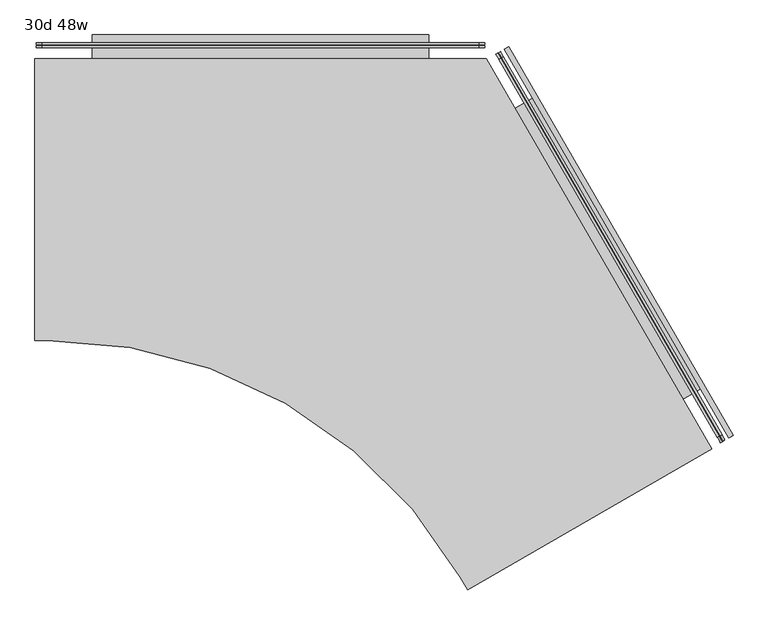
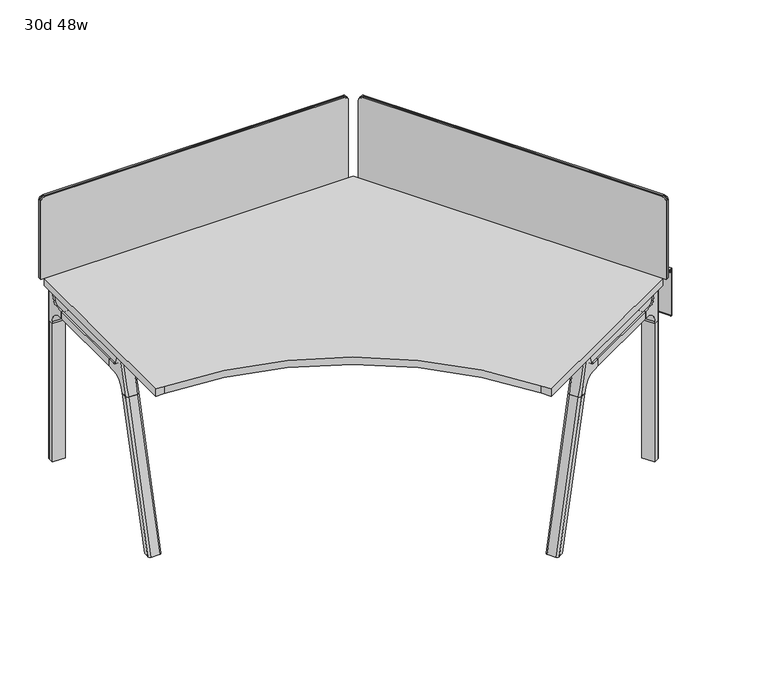
"""IFC4 building model written with IfcOpenShell, lengths in millimetres: furniture geometry, 30d 48w."""

from ifc_helpers import new_model, si_unit, point, frame, frame_2d, origin, place, context, project, spatial, polyline, circle_curve, ellipse_curve, trimmed, segment, composite_curve, outline, extrude, source, transform, mapped, element, save
from ifc_brep_helpers import plane_surface, cylinder_surface, revolved_surface, advanced_brep


def furniture_30d_48w_1ab25b7c(model_context):
    return source(origin(), model_context, "Body", "SolidModel", [
        extrude(outline(composite_curve([segment(polyline([(4524.070945, -1483.2285725), (3864.1595873, -1864.2285725), (3844.808009, -1830.7106557)]), True, "CONTINUOUS"), segment(trimmed(circle_curve(frame_2d((2733.9572236, -2472.0606557)), 1282.7), [point((3844.808009, -1830.7106557))], [point((2728.9573776, -1189.3704002))], True, "CARTESIAN"), True, "CONTINUOUS"), segment(polyline([(2728.9573776, -1189.3704002), (2695.270945, -1189.3704002), (2695.270945, -427.3704002), (3914.470945, -427.3704002), (4524.070945, -1483.2285725)]), True, "CONTINUOUS")], self_intersect=False)), frame((0.0, 0.0, 711.2), z_axis=(0.0, 0.0, 1.0), x_axis=(1.0, 0.0, 0.0)), (0.0, 0.0, 1.0), 30.1625),
        advanced_brep(
        [(3900.1963967, -460.0945908, 35.0000007), (3893.2682387, -456.0946169, 35.0000007), (3896.7323177, -458.0946039, 35.0000007), (3900.1963967, -460.0945908, 5.0000003), (3893.2682387, -456.0946169, 5.0000003), (3905.5711745, -463.1977202, 5.0000003), (3887.893461, -452.9914875, 5.0000003), (3906.2585821, -463.5945952, 4.2062503), (3887.2060533, -452.5946125, 4.2062503), (3906.2585821, -463.5945952, 0.79375), (3887.2060533, -452.5946125, 0.79375), (3905.5711745, -463.1977202, 0.0), (3887.893461, -452.9914875, 0.0), (3896.7323177, -458.0946039, 0.0)],
        [
            (0, 1, circle_curve(frame((3896.7323177, -458.0946039, 35.0000007), z_axis=(0.0, 0.0, 1.0), x_axis=(-0.8660254037844346, 0.5000000000000068, 0.0)), 3.9999739)),
            (1, 2),
            (2, 0),
            (1, 0, circle_curve(frame((3896.7323177, -458.0946039, 35.0000007), z_axis=(0.0, 0.0, 1.0), x_axis=(-0.8660254037844346, 0.5000000000000068, 0.0)), 3.9999739)),
            (3, 4, circle_curve(frame((3896.7323177, -458.0946039, 5.0000003), z_axis=(0.0, 0.0, 1.0), x_axis=(-0.8660254037844346, 0.5000000000000068, 0.0)), 3.9999739)),
            (4, 1),
            (0, 3),
            (4, 3, circle_curve(frame((3896.7323177, -458.0946039, 5.0000003), z_axis=(0.0, 0.0, 1.0), x_axis=(-0.8660254037844346, 0.5000000000000068, 0.0)), 3.9999739)),
            (5, 6, circle_curve(frame((3896.7323177, -458.0946039, 5.0000003), z_axis=(0.0, 0.0, 1.0), x_axis=(-0.8660254037844346, 0.5000000000000068, 0.0)), 10.2062326)),
            (6, 4),
            (3, 5),
            (6, 5, circle_curve(frame((3896.7323177, -458.0946039, 5.0000003), z_axis=(0.0, 0.0, 1.0), x_axis=(-0.8660254037844346, 0.5000000000000068, 0.0)), 10.2062326)),
            (7, 8, circle_curve(frame((3896.7323177, -458.0946039, 4.2062503), z_axis=(0.0, 0.0, 1.0), x_axis=(-0.8660254037844346, 0.5000000000000068, 0.0)), 10.9999826)),
            (8, 6, circle_curve(frame((3887.893461, -452.9914875, 4.2062503), z_axis=(0.5000000000000068, 0.8660254037844346, 0.0), x_axis=(0.0, 0.0, -1.0)), 0.79375)),
            (5, 7, circle_curve(frame((3905.5711745, -463.1977202, 4.2062503), z_axis=(0.500000000000004, 0.8660254037844363, 0.0), x_axis=(0.0, 0.0, -1.0)), 0.79375)),
            (8, 7, circle_curve(frame((3896.7323177, -458.0946039, 4.2062503), z_axis=(0.0, 0.0, 1.0), x_axis=(-0.8660254037844346, 0.5000000000000068, 0.0)), 10.9999826)),
            (9, 10, circle_curve(frame((3896.7323177, -458.0946039, 0.79375), z_axis=(0.0, 0.0, 1.0), x_axis=(-0.8660254037844346, 0.5000000000000068, 0.0)), 10.9999826)),
            (10, 8),
            (7, 9),
            (10, 9, circle_curve(frame((3896.7323177, -458.0946039, 0.79375), z_axis=(0.0, 0.0, 1.0), x_axis=(-0.8660254037844346, 0.5000000000000068, 0.0)), 10.9999826)),
            (11, 12, circle_curve(frame((3896.7323177, -458.0946039, 0.0), z_axis=(0.0, 0.0, 1.0), x_axis=(-0.8660254037844346, 0.5000000000000068, 0.0)), 10.2062326)),
            (12, 10, circle_curve(frame((3887.893461, -452.9914875, 0.79375), z_axis=(0.5000000000000068, 0.8660254037844346, 0.0), x_axis=(0.0, 0.0, -1.0)), 0.79375)),
            (9, 11, circle_curve(frame((3905.5711745, -463.1977202, 0.79375), z_axis=(0.500000000000004, 0.8660254037844363, 0.0), x_axis=(0.0, 0.0, -1.0)), 0.79375)),
            (12, 11, circle_curve(frame((3896.7323177, -458.0946039, 0.0), z_axis=(0.0, 0.0, 1.0), x_axis=(-0.8660254037844346, 0.5000000000000068, 0.0)), 10.2062326)),
            (13, 12),
            (11, 13),
        ],
        [
            plane_surface(frame((3896.7323177, -458.0946039, 35.0000007), z_axis=(0.0, 0.0, 1.0), x_axis=(-0.8660254037844347, 0.5000000000000069, 0.0))),
            cylinder_surface(frame((3896.7323177, -458.0946039, 52.3860264), z_axis=(0.0, 0.0, -1.0), x_axis=(-0.8660254037844346, 0.5000000000000068, 0.0)), 3.9999739),
            plane_surface(frame((3896.7323177, -458.0946039, 5.0000003), z_axis=(0.0, 0.0, 1.0), x_axis=(-0.8660254037844347, 0.5000000000000069, 0.0))),
            revolved_surface(trimmed(ellipse_curve(frame((3887.893461, -452.9914875, 4.2062503), z_axis=(-0.5000000000000068, -0.8660254037844346, 0.0), x_axis=(0.0, 0.0, -1.0)), 0.79375, 0.79375), [point((3887.893461, -452.9914875, 5.0000003))], [point((3887.2060533, -452.5946125, 4.2062503))], True, "CARTESIAN"), (3896.7323177, -458.0946039, 52.3860264), (0.0, 0.0, -1.0)),
            cylinder_surface(frame((3896.7323177, -458.0946039, 52.3860264), z_axis=(0.0, 0.0, -1.0), x_axis=(-0.8660254037844346, 0.5000000000000068, 0.0)), 10.9999826),
            revolved_surface(trimmed(ellipse_curve(frame((3887.893461, -452.9914875, 0.79375), z_axis=(-0.5000000000000068, -0.8660254037844346, 0.0), x_axis=(0.0, 0.0, -1.0)), 0.79375, 0.79375), [point((3887.2060533, -452.5946125, 0.79375))], [point((3887.893461, -452.9914875, 0.0))], True, "CARTESIAN"), (3896.7323177, -458.0946039, 52.3860264), (0.0, 0.0, -1.0)),
            plane_surface(frame((3896.7323177, -458.0946039, 0.0), z_axis=(0.0, 0.0, -1.0), x_axis=(-0.8660254037844347, 0.5000000000000069, 0.0))),
        ],
        [
            (0, [[1, 2, 3]]),
            (0, [[4, -3, -2]]),
            (1, [[5, 6, -1, 7]]),
            (1, [[8, -7, -4, -6]]),
            (2, [[9, 10, -5, 11]]),
            (2, [[12, -11, -8, -10]]),
            (3, [[13, 14, -9, 15]]),
            (3, [[16, -15, -12, -14]]),
            (4, [[17, 18, -13, 19]]),
            (4, [[20, -19, -16, -18]]),
            (5, [[21, 22, -17, 23]]),
            (5, [[24, -23, -20, -22]]),
            (6, [[25, -21, 26]]),
            (6, [[-26, -24, -25]]),
        ],
    ),
        extrude(outline(composite_curve([segment(trimmed(circle_curve(frame_2d((3910.3539816, -481.5552641)), 1.4920026), [point((3911.6460938, -482.3012654))], [point((3909.6079803, -482.8473763))], False, "CARTESIAN"), True, "CONTINUOUS"), segment(polyline([(3909.6079803, -482.8473763), (3868.8579567, -459.3203392)]), True, "CONTINUOUS"), segment(trimmed(circle_curve(frame_2d((3869.603958, -458.028227)), 1.4920026), [point((3868.8579567, -459.3203392))], [point((3868.3118459, -457.2822257))], False, "CARTESIAN"), True, "CONTINUOUS"), segment(polyline([(3868.3118459, -457.2822257), (3877.7172574, -440.9915751)]), True, "CONTINUOUS"), segment(trimmed(circle_curve(frame_2d((3886.3098532, -445.9525126)), 9.921875), [point((3877.7172574, -440.9915751))], [point((3891.2707907, -437.3599168))], False, "CARTESIAN"), True, "CONTINUOUS"), segment(polyline([(3891.2707907, -437.3599168), (3917.419847, -452.4570815)]), True, "CONTINUOUS"), segment(trimmed(circle_curve(frame_2d((3912.4589095, -461.0496773)), 9.921875), [point((3917.419847, -452.4570815))], [point((3921.0515053, -466.0106148))], False, "CARTESIAN"), True, "CONTINUOUS"), segment(polyline([(3921.0515053, -466.0106148), (3911.6460938, -482.3012654)]), True, "CONTINUOUS")], self_intersect=False)), frame((0.0, 0.0, 10.7173168), z_axis=(0.0, 0.0, 1.0), x_axis=(1.0, 0.0, 0.0)), (0.0, 0.0, 1.0), 700.4826832),
        extrude(outline(composite_curve([segment(trimmed(circle_curve(frame_2d((0.0, -15.875)), 15.875), [point((0.0, -31.75))], [point((-15.875, -15.875))], False, "CARTESIAN"), True, "CONTINUOUS"), segment(polyline([(-15.875, -15.875), (-15.875, 302.41875), (1190.625, 302.41875), (1190.625, -15.875)]), True, "CONTINUOUS"), segment(trimmed(circle_curve(frame_2d((1174.75, -15.875)), 15.875), [point((1190.625, -15.875))], [point((1174.75, -31.75))], False, "CARTESIAN"), True, "CONTINUOUS"), segment(polyline([(1174.75, -31.75), (0.0, -31.75)]), True, "CONTINUOUS")], self_intersect=False)), frame((3955.1419745, -429.5521898, 1023.14375), z_axis=(0.8660254037844421, 0.4999999999999942, 0.0), x_axis=(0.4999999999999941, -0.8660254037844419, 0.0)), (0.0, 0.0, 1.0), 3.175),
        extrude(outline(composite_curve([segment(trimmed(circle_curve(frame_2d((0.0, -15.875)), 15.875), [point((15.875, -15.875))], [point((0.0, -31.7499999))], False, "CARTESIAN"), True, "CONTINUOUS"), segment(polyline([(0.0, -31.7499999), (-324.64375, -31.7499999), (-324.64375, 1181.1), (0.0, 1181.1)]), True, "CONTINUOUS"), segment(trimmed(circle_curve(frame_2d((0.0, 1165.2250001)), 15.875), [point((0.0, 1181.1))], [point((15.875, 1165.2250001))], False, "CARTESIAN"), True, "CONTINUOUS"), segment(polyline([(15.875, 1165.2250001), (15.875, -15.875)]), True, "CONTINUOUS")], self_intersect=False)), frame((3956.6801209, -443.3288374, 1042.19375), z_axis=(0.8660254037844438, 0.49999999999999145, 0.0), x_axis=(0.0, 0.0, 1.0)), (0.0, 0.0, 1.0), 5.55625),
        extrude(outline(composite_curve([segment(trimmed(circle_curve(frame_2d((0.0, -15.875)), 15.875), [point((0.0, -31.75))], [point((-15.8749999, -15.875))], False, "CARTESIAN"), True, "CONTINUOUS"), segment(polyline([(-15.8749999, -15.875), (-15.8749999, 308.76875), (1196.975, 308.76875), (1196.975, -15.875)]), True, "CONTINUOUS"), segment(trimmed(circle_curve(frame_2d((1181.1000001, -15.875)), 15.875), [point((1196.975, -15.875))], [point((1181.1000001, -31.75))], False, "CARTESIAN"), True, "CONTINUOUS"), segment(polyline([(1181.1000001, -31.75), (0.0, -31.75)]), True, "CONTINUOUS")], self_intersect=False)), frame((3956.3041052, -425.2150591, 1026.31875), z_axis=(0.8660254037844421, 0.4999999999999942, 0.0), x_axis=(0.4999999999999941, -0.8660254037844419, 0.0)), (0.0, 0.0, 1.0), 5.55625),
        extrude(outline(composite_curve([segment(polyline([(1054.89375, 3892.245945), (1054.89375, 2717.495945)]), True, "CONTINUOUS"), segment(trimmed(circle_curve(frame_2d((1039.01875, 2717.495945)), 15.875), [point((1054.89375, 2717.495945))], [point((1039.01875, 2701.620945))], False, "CARTESIAN"), True, "CONTINUOUS"), segment(polyline([(1039.01875, 2701.620945), (720.725, 2701.620945), (720.725, 3908.120945), (1039.01875, 3908.120945)]), True, "CONTINUOUS"), segment(trimmed(circle_curve(frame_2d((1039.01875, 3892.245945)), 15.875), [point((1039.01875, 3908.120945))], [point((1054.89375, 3892.245945))], False, "CARTESIAN"), True, "CONTINUOUS")], self_intersect=False)), frame((0.0, -393.2391502, 0.0), z_axis=(0.0, 1.0, 0.0), x_axis=(0.0, 0.0, 1.0)), (0.0, 0.0, 1.0), 3.175),
        extrude(outline(composite_curve([segment(polyline([(1058.06875, 3895.420945), (1058.06875, 2714.320945)]), True, "CONTINUOUS"), segment(trimmed(circle_curve(frame_2d((1042.19375, 2714.320945)), 15.875), [point((1058.06875, 2714.320945))], [point((1042.19375, 2698.445945))], False, "CARTESIAN"), True, "CONTINUOUS"), segment(polyline([(1042.19375, 2698.445945), (717.55, 2698.445945), (717.55, 3911.295945), (1042.19375, 3911.295945)]), True, "CONTINUOUS"), segment(trimmed(circle_curve(frame_2d((1042.19375, 3895.420945)), 15.875), [point((1042.19375, 3911.295945))], [point((1058.06875, 3895.420945))], False, "CARTESIAN"), True, "CONTINUOUS")], self_intersect=False)), frame((0.0, -390.0641502, 0.0), z_axis=(0.0, 1.0, 0.0), x_axis=(0.0, 0.0, 1.0)), (0.0, 0.0, 1.0), 5.55625),
        extrude(outline(composite_curve([segment(polyline([(1058.06875, 3895.420945), (1058.06875, 2714.320945)]), True, "CONTINUOUS"), segment(trimmed(circle_curve(frame_2d((1042.19375, 2714.320945)), 15.875), [point((1058.06875, 2714.320945))], [point((1042.19375, 2698.445945))], False, "CARTESIAN"), True, "CONTINUOUS"), segment(polyline([(1042.19375, 2698.445945), (717.55, 2698.445945), (717.55, 3911.295945), (1042.19375, 3911.295945)]), True, "CONTINUOUS"), segment(trimmed(circle_curve(frame_2d((1042.19375, 3895.420945)), 15.875), [point((1042.19375, 3911.295945))], [point((1058.06875, 3895.420945))], False, "CARTESIAN"), True, "CONTINUOUS")], self_intersect=False)), frame((0.0, -398.7954002, 0.0), z_axis=(0.0, 1.0, 0.0), x_axis=(0.0, 0.0, 1.0)), (0.0, 0.0, 1.0), 5.55625),
        advanced_brep(
        [(4481.75383, -1500.3280218, 711.2), (4473.9092846, -1504.8570722, 677.3947076), (4460.6295883, -1512.5241085, 665.6284599), (4429.4707256, -1530.5136862, 665.6284599), (4429.4707256, -1530.5136862, 635.6476591), (4439.0944329, -1524.9574362, 635.6476591), (4483.0885234, -1499.5574362, 584.8476591), (4483.0885234, -1499.5574362, 576.659375), (4502.335938, -1488.4449362, 576.659375), (4502.335938, -1488.4449362, 711.2), (4457.6885234, -1455.5633457, 576.659375), (4457.6885234, -1455.5633457, 584.8476591), (4413.6944329, -1480.9633457, 635.6476591), (4404.0707256, -1486.5195957, 635.6476591), (4404.0707256, -1486.5195957, 665.6284599), (4435.2295883, -1468.5300179, 665.6284599), (4448.5092846, -1460.8629817, 677.3947076), (4456.35383, -1456.3339313, 711.2), (4476.935938, -1444.4508457, 711.2), (4476.935938, -1444.4508457, 576.659375), (4505.82233, -1475.4335442, 711.2), (4489.94733, -1447.9372376, 711.2), (4489.94733, -1447.9372376, 576.659375), (4505.82233, -1475.4335442, 576.659375)],
        [
            (0, 1),
            (1, 2, circle_curve(frame((4460.6295883, -1512.5241085, 681.5034599), z_axis=(-0.49999999999999706, 0.8660254037844405, 0.0), x_axis=(0.8660254037844407, 0.49999999999999717, 0.0)), 15.875)),
            (2, 3),
            (3, 4),
            (4, 5),
            (5, 6, circle_curve(frame((4439.0944329, -1524.9574362, 584.8476591), z_axis=(-0.49999999999999706, 0.8660254037844405, 0.0), x_axis=(0.8660254037844407, 0.49999999999999717, 0.0)), 50.8)),
            (6, 7),
            (7, 8),
            (8, 9),
            (9, 0),
            (10, 11),
            (11, 12, circle_curve(frame((4413.6944329, -1480.9633457, 584.8476591), z_axis=(0.49999999999999706, -0.8660254037844405, 0.0), x_axis=(0.8660254037844407, 0.49999999999999717, 0.0)), 50.8)),
            (12, 13),
            (13, 14),
            (14, 15),
            (15, 16, circle_curve(frame((4435.2295883, -1468.5300179, 681.5034599), z_axis=(0.49999999999999706, -0.8660254037844405, 0.0), x_axis=(0.8660254037844407, 0.49999999999999717, 0.0)), 15.875)),
            (16, 17),
            (17, 18),
            (18, 19),
            (19, 10),
            (17, 0),
            (9, 20, circle_curve(frame((4497.573438, -1480.1960442, 711.2), z_axis=(0.0, 0.0, 1.0), x_axis=(-0.49999999999999856, 0.8660254037844399, 0.0)), 9.525)),
            (20, 21),
            (21, 18, circle_curve(frame((4481.698438, -1452.6997376, 711.2), z_axis=(0.0, 0.0, 1.0), x_axis=(-0.49999999999999856, 0.8660254037844399, 0.0)), 9.525)),
            (16, 1),
            (15, 2),
            (14, 3),
            (13, 4),
            (12, 5),
            (7, 10),
            (19, 22, circle_curve(frame((4481.698438, -1452.6997376, 576.659375), z_axis=(0.0, 0.0, -1.0), x_axis=(-0.49999999999999856, 0.8660254037844399, 0.0)), 9.525)),
            (22, 23),
            (23, 8, circle_curve(frame((4497.573438, -1480.1960442, 576.659375), z_axis=(0.0, 0.0, -1.0), x_axis=(-0.49999999999999856, 0.8660254037844399, 0.0)), 9.525)),
            (11, 6),
            (23, 20),
            (21, 22),
        ],
        [
            plane_surface(frame((4516.5833805, -1480.2191714, 711.2), z_axis=(0.49999999999999706, -0.8660254037844405, 0.0), x_axis=(-0.8660254037844405, -0.49999999999999706, 0.0))),
            plane_surface(frame((4491.1833805, -1436.2250809, 711.2), z_axis=(-0.49999999999999706, 0.8660254037844405, 0.0), x_axis=(0.8660254037844405, 0.49999999999999706, 0.0))),
            plane_surface(frame((4516.5833805, -1480.2191714, 711.2), z_axis=(0.0, 0.0, 1.0000000000000002), x_axis=(-0.4999999999999973, 0.8660254037844404, 0.0))),
            plane_surface(frame((4481.75383, -1500.3280218, 711.2), z_axis=(-0.8365163037378096, -0.48296291314453155, 0.25881904510252085), x_axis=(-0.4999999999999973, 0.8660254037844404, 0.0))),
            revolved_surface(polyline([(4448.977741585078, -1460.5925179, 681.5034599), (4474.377741623075, -1504.5866084780628, 681.5034599)]), (4435.2295883, -1468.5300179, 681.5034599), (-0.49999999999999717, 0.8660254037844407, 0.0)),
            plane_surface(frame((4460.6295883, -1512.5241085, 665.6284599), z_axis=(0.0, 0.0, 1.0000000000000002), x_axis=(-0.4999999999999973, 0.8660254037844404, 0.0))),
            plane_surface(frame((4429.4707256, -1530.5136862, 665.6284599), z_axis=(-0.8660254037844404, -0.4999999999999973, 0.0), x_axis=(-0.4999999999999973, 0.8660254037844404, 0.0))),
            plane_surface(frame((4429.4707256, -1530.5136862, 635.6476591), z_axis=(0.0, 0.0, -1.0000000000000002), x_axis=(-0.4999999999999973, 0.8660254037844404, 0.0))),
            plane_surface(frame((4483.0885234, -1499.5574362, 576.659375), z_axis=(0.0, 0.0, -1.0000000000000002), x_axis=(-0.4999999999999973, 0.8660254037844404, 0.0))),
            revolved_surface(polyline([(4457.688523409187, -1455.563345694696, 584.8476591), (4483.088523406945, -1499.557436203063, 584.8476591)]), (4413.6944329, -1480.9633457, 584.8476591), (-0.49999999999999717, 0.8660254037844407, 0.0)),
            plane_surface(frame((4483.0885234, -1499.5574362, 584.8476591), z_axis=(-0.8660254037844404, -0.4999999999999973, 0.0), x_axis=(-0.4999999999999973, 0.8660254037844404, 0.0))),
            cylinder_surface(frame((4497.573438, -1480.1960442, 524.9807374), z_axis=(0.0, 0.0, -1.0), x_axis=(-0.49999999999999856, 0.8660254037844399, 0.0)), 9.525),
            cylinder_surface(frame((4481.698438, -1452.6997376, 524.9807374), z_axis=(0.0, 0.0, -1.0), x_axis=(-0.49999999999999856, 0.8660254037844399, 0.0)), 9.525),
            plane_surface(frame((4489.94733, -1447.9372376, 711.2), z_axis=(0.8660254037844396, 0.49999999999999833, 0.0), x_axis=(0.0, 0.0, -1.0))),
        ],
        [
            (0, [[1, 2, 3, 4, 5, 6, 7, 8, 9, 10]]),
            (1, [[11, 12, 13, 14, 15, 16, 17, 18, 19, 20]]),
            (2, [[21, -10, 22, 23, 24, -18]]),
            (3, [[-1, -21, -17, 25]]),
            (4, [[-2, -25, -16, 26]]),
            (5, [[-3, -26, -15, 27]]),
            (6, [[-4, -27, -14, 28]]),
            (7, [[-5, -28, -13, 29]]),
            (8, [[30, -20, 31, 32, 33, -8]]),
            (9, [[-6, -29, -12, 34]]),
            (10, [[-7, -34, -11, -30]]),
            (11, [[35, -22, -9, -33]]),
            (12, [[36, -31, -19, -24]]),
            (13, [[-35, -32, -36, -23]]),
        ],
    ),
        advanced_brep(
        [(4457.6885234, -1455.5633457, 576.659375), (4483.0885234, -1499.5574362, 576.659375), (4502.335938, -1488.4449362, 576.659375), (4505.82233, -1475.4335442, 576.659375), (4489.94733, -1447.9372376, 576.659375), (4476.935938, -1444.4508457, 576.659375), (4457.6885234, -1455.5633457, 0.0), (4476.935938, -1444.4508457, 0.0), (4489.94733, -1447.9372376, 0.0), (4505.82233, -1475.4335442, 0.0), (4502.335938, -1488.4449362, 0.0), (4483.0885234, -1499.5574362, 0.0), (4502.335938, -1488.4449362, 524.9807374), (4505.82233, -1475.4335442, 524.9807374), (4489.94733, -1447.9372376, 524.9807374), (4476.935938, -1444.4508457, 524.9807374)],
        [
            (0, 1),
            (1, 2),
            (2, 3, circle_curve(frame((4497.573438, -1480.1960442, 576.659375), z_axis=(0.0, 0.0, 1.0), x_axis=(-0.49999999999999856, 0.8660254037844399, 0.0)), 9.525)),
            (3, 4),
            (4, 5, circle_curve(frame((4481.698438, -1452.6997376, 576.659375), z_axis=(0.0, 0.0, 1.0), x_axis=(-0.49999999999999856, 0.8660254037844399, 0.0)), 9.525)),
            (5, 0),
            (6, 7),
            (7, 8, circle_curve(frame((4481.698438, -1452.6997376, 0.0), z_axis=(0.0, 0.0, -1.0), x_axis=(-0.49999999999999856, 0.8660254037844399, 0.0)), 9.525)),
            (8, 9),
            (9, 10, circle_curve(frame((4497.573438, -1480.1960442, 0.0), z_axis=(0.0, 0.0, -1.0), x_axis=(-0.49999999999999856, 0.8660254037844399, 0.0)), 9.525)),
            (10, 11),
            (11, 6),
            (0, 6),
            (11, 1),
            (10, 12),
            (12, 2),
            (9, 13),
            (13, 3),
            (8, 14),
            (14, 4),
            (7, 15),
            (15, 5),
        ],
        [
            plane_surface(frame((4486.6866686, -1505.7896064, 576.659375), z_axis=(0.0, 0.0, 1.0), x_axis=(0.49999999999999833, -0.8660254037844396, 0.0))),
            plane_surface(frame((4486.6866686, -1505.7896064, 0.0), z_axis=(0.0, 0.0, -1.0), x_axis=(-0.49999999999999833, 0.8660254037844396, 0.0))),
            plane_surface(frame((4457.6885234, -1455.5633457, 576.659375), z_axis=(-0.8660254037844396, -0.49999999999999833, 0.0), x_axis=(0.0, 0.0, -1.0))),
            plane_surface(frame((4483.0885234, -1499.5574362, 576.659375), z_axis=(0.49999999999999833, -0.8660254037844396, 0.0), x_axis=(0.0, 0.0, -1.0))),
            cylinder_surface(frame((4497.573438, -1480.1960442, 0.0), z_axis=(0.0, 0.0, 1.0), x_axis=(-0.49999999999999856, 0.8660254037844399, 0.0)), 9.525),
            plane_surface(frame((4505.82233, -1475.4335442, 576.659375), z_axis=(0.8660254037844396, 0.49999999999999833, 0.0), x_axis=(0.0, 0.0, -1.0))),
            cylinder_surface(frame((4481.698438, -1452.6997376, 0.0), z_axis=(0.0, 0.0, 1.0), x_axis=(-0.49999999999999856, 0.8660254037844399, 0.0)), 9.525),
            plane_surface(frame((4476.935938, -1444.4508457, 576.659375), z_axis=(-0.49999999999999833, 0.8660254037844396, 0.0), x_axis=(0.0, 0.0, -1.0))),
        ],
        [
            (0, [[1, 2, 3, 4, 5, 6]]),
            (1, [[7, 8, 9, 10, 11, 12]]),
            (2, [[-1, 13, -12, 14]]),
            (3, [[-2, -14, -11, 15, 16]]),
            (4, [[-3, -16, -15, -10, 17, 18]]),
            (5, [[-4, -18, -17, -9, 19, 20]]),
            (6, [[-5, -20, -19, -8, 21, 22]]),
            (7, [[-6, -22, -21, -7, -13]]),
        ],
    ),
        advanced_brep(
        [(4100.1623326, -1720.6399756, 711.2), (4081.5717581, -1731.3732488, 711.2), (4050.8723322, -1749.0975706, 576.6820411), (4069.1489062, -1738.5455856, 576.6820411), (4071.3643829, -1737.2664795, 586.2294189), (4127.1391075, -1705.0649273, 635.6476591), (4146.9461756, -1693.6293112, 635.6476591), (4146.9461756, -1693.6293112, 665.6284599), (4121.2865743, -1708.4438889, 665.6284599), (4108.006878, -1716.1109252, 677.3947076), (4043.7489062, -1694.5514951, 576.6820411), (4025.4723322, -1705.1034801, 576.6820411), (4056.1717581, -1687.3791582, 711.2), (4074.7623326, -1676.645885, 711.2), (4082.606878, -1672.1168346, 677.3947076), (4095.8865743, -1664.4497984, 665.6284599), (4121.5461756, -1649.6352207, 665.6284599), (4121.5461756, -1649.6352207, 635.6476591), (4101.7391075, -1661.0708368, 635.6476591), (4045.9643829, -1693.272389, 586.2294189), (4051.2887357, -1697.4312044, 711.2), (4070.4249195, -1730.5760471, 711.2), (4037.5793266, -1745.7737683, 576.6820411), (4021.7043266, -1718.2774617, 576.6820411)],
        [
            (0, 1),
            (1, 2),
            (2, 3),
            (3, 4),
            (4, 5, circle_curve(frame((4127.1391075, -1705.0649273, 568.9726591), z_axis=(-0.49999999999999695, 0.8660254037844405, 0.0), x_axis=(-0.8660254037844407, -0.49999999999999706, 0.0)), 66.675)),
            (5, 6),
            (6, 7),
            (7, 8),
            (8, 9, circle_curve(frame((4121.2865743, -1708.4438889, 681.5034599), z_axis=(-0.49999999999999695, 0.8660254037844405, 0.0), x_axis=(-0.8660254037844407, -0.49999999999999706, 0.0)), 15.875)),
            (9, 0),
            (10, 11),
            (11, 12),
            (12, 13),
            (13, 14),
            (14, 15, circle_curve(frame((4095.8865743, -1664.4497984, 681.5034599), z_axis=(0.49999999999999695, -0.8660254037844405, 0.0), x_axis=(-0.8660254037844407, -0.49999999999999706, 0.0)), 15.875)),
            (15, 16),
            (16, 17),
            (17, 18),
            (18, 19, circle_curve(frame((4101.7391075, -1661.0708368, 568.9726591), z_axis=(0.49999999999999695, -0.8660254037844405, 0.0), x_axis=(-0.8660254037844407, -0.49999999999999706, 0.0)), 66.675)),
            (19, 10),
            (12, 20, ellipse_curve(frame((4060.9342581, -1695.6280502, 711.2), z_axis=(0.0, 0.0, 1.0), x_axis=(-0.8660254037844412, -0.4999999999999954, 0.0)), 9.8501793, 9.525)),
            (20, 21),
            (21, 1, ellipse_curve(frame((4076.8092581, -1723.1243568, 711.2), z_axis=(0.0, 0.0, 1.0), x_axis=(-0.8660254037844412, -0.4999999999999954, 0.0)), 9.8501793, 9.525)),
            (0, 13),
            (9, 14),
            (8, 15),
            (7, 16),
            (6, 17),
            (5, 18),
            (4, 19),
            (3, 10),
            (2, 22, ellipse_curve(frame((4046.1098322, -1740.8486786, 576.6820411), z_axis=(0.0, 0.0, -1.0), x_axis=(-0.8660254037844412, -0.4999999999999954, 0.0)), 9.8501793, 9.525)),
            (22, 23),
            (23, 11, ellipse_curve(frame((4030.2348322, -1713.352372, 576.6820411), z_axis=(0.0, 0.0, -1.0), x_axis=(-0.8660254037844412, -0.4999999999999954, 0.0)), 9.8501793, 9.525)),
            (20, 23, ellipse_curve(frame((4538.1756491, -1420.0926047, 2802.3641142), z_axis=(-0.8365163037378097, -0.48296291314453094, 0.25881904510252063), x_axis=(-0.22414386804201397, -0.12940952255125918, -0.9659258262890684)), 2304.1956354, 9.525)),
            (22, 21, ellipse_curve(frame((4554.0506491, -1447.5889112, 2802.3641142), z_axis=(-0.8365163037378097, -0.48296291314453094, 0.25881904510252063), x_axis=(-0.22414386804201397, -0.12940952255125918, -0.9659258262890684)), 2304.1956354, 9.525)),
        ],
        [
            plane_surface(frame((4073.5568276, -1736.000671, 711.2), z_axis=(0.49999999999999695, -0.8660254037844405, 0.0), x_axis=(0.8660254037844405, 0.49999999999999695, 0.0))),
            plane_surface(frame((4048.1568276, -1692.0065805, 711.2), z_axis=(-0.49999999999999695, 0.8660254037844405, 0.0), x_axis=(-0.8660254037844405, -0.49999999999999695, 0.0))),
            plane_surface(frame((4073.5568276, -1736.000671, 711.2), z_axis=(0.0, 0.0, 1.0), x_axis=(-0.4999999999999967, 0.8660254037844406, 0.0))),
            plane_surface(frame((4100.1623326, -1720.6399756, 711.2), z_axis=(0.8365163037378098, 0.482962913144531, 0.2588190451025208), x_axis=(-0.4999999999999967, 0.8660254037844406, 0.0))),
            revolved_surface(polyline([(4082.13842100039, -1672.3872983748288, 681.5034599), (4107.538421038386, -1716.3813889528915, 681.5034599)]), (4095.8865743, -1664.4497984, 681.5034599), (-0.49999999999999706, 0.8660254037844407, 0.0)),
            plane_surface(frame((4121.2865743, -1708.4438889, 665.6284599), z_axis=(0.0, 0.0, 1.0), x_axis=(-0.4999999999999967, 0.8660254037844406, 0.0))),
            plane_surface(frame((4146.9461756, -1693.6293112, 665.6284599), z_axis=(0.8660254037844406, 0.4999999999999967, 0.0), x_axis=(-0.4999999999999967, 0.8660254037844406, 0.0))),
            plane_surface(frame((4146.9461756, -1693.6293112, 635.6476591), z_axis=(0.0, 0.0, -1.0), x_axis=(-0.4999999999999967, 0.8660254037844406, 0.0))),
            revolved_surface(polyline([(4043.996863675917, -1694.4083367536598, 568.9726591), (4069.3968636973677, -1738.4024273030625, 568.9726591)]), (4101.7391075, -1661.0708368, 568.9726591), (-0.49999999999999706, 0.8660254037844407, 0.0)),
            plane_surface(frame((4071.3643829, -1737.2664795, 586.2294189), z_axis=(0.8365163037378107, 0.4829629131445315, -0.2588190451025171), x_axis=(-0.4999999999999967, 0.8660254037844406, 0.0))),
            plane_surface(frame((4069.1489062, -1738.5455856, 576.6820411), z_axis=(0.0, 0.0, -1.0), x_axis=(-0.4999999999999967, 0.8660254037844406, 0.0))),
            plane_surface(frame((4042.3418266, -1754.0226602, 576.6820411), z_axis=(-0.8365163037378099, -0.48296291314453105, 0.2588190451025207), x_axis=(-0.4999999999999967, 0.8660254037844406, 0.0))),
            cylinder_surface(frame((3913.9466524, -1817.153126, -2.4271979), z_axis=(-0.2206839923176003, -0.1274119623704063, -0.966987470125486), x_axis=(-0.49999999999999567, 0.8660254037844415, 0.0)), 9.525),
            cylinder_surface(frame((3898.0716524, -1789.6568194, -2.4271979), z_axis=(-0.2206839923176003, -0.1274119623704063, -0.966987470125486), x_axis=(-0.49999999999999567, 0.8660254037844415, 0.0)), 9.525),
        ],
        [
            (0, [[1, 2, 3, 4, 5, 6, 7, 8, 9, 10]]),
            (1, [[11, 12, 13, 14, 15, 16, 17, 18, 19, 20]]),
            (2, [[-13, 21, 22, 23, -1, 24]]),
            (3, [[25, -14, -24, -10]]),
            (4, [[26, -15, -25, -9]]),
            (5, [[27, -16, -26, -8]]),
            (6, [[28, -17, -27, -7]]),
            (7, [[29, -18, -28, -6]]),
            (8, [[30, -19, -29, -5]]),
            (9, [[31, -20, -30, -4]]),
            (10, [[-3, 32, 33, 34, -11, -31]]),
            (11, [[35, -33, 36, -22]]),
            (12, [[-23, -36, -32, -2]]),
            (13, [[-34, -35, -21, -12]]),
        ],
    ),
        advanced_brep(
        [(4069.1489062, -1738.5455856, 576.6820411), (4050.8723322, -1749.0975706, 576.6820411), (3919.2630828, -1825.0822061, 0.0), (3937.5396568, -1814.5302212, 0.0), (3912.1396568, -1770.5361307, 0.0), (3893.8630828, -1781.0881156, 0.0), (4025.4723322, -1705.1034801, 576.6820411), (4043.7489062, -1694.5514951, 576.6820411), (4021.7043266, -1718.2774617, 576.6820411), (4037.5793266, -1745.7737683, 576.6820411), (3905.9700772, -1821.7584038, 0.0), (3890.0950772, -1794.2620973, 0.0)],
        [
            (0, 1),
            (1, 2),
            (2, 3),
            (3, 0),
            (4, 5),
            (5, 6),
            (6, 7),
            (7, 4),
            (6, 8, ellipse_curve(frame((4030.2348322, -1713.352372, 576.6820411), z_axis=(0.0, 0.0, 1.0), x_axis=(-0.8660254037844412, -0.4999999999999954, 0.0)), 9.8501793, 9.525)),
            (8, 9),
            (9, 1, ellipse_curve(frame((4046.1098322, -1740.8486786, 576.6820411), z_axis=(0.0, 0.0, 1.0), x_axis=(-0.8660254037844412, -0.4999999999999954, 0.0)), 9.8501793, 9.525)),
            (0, 7),
            (3, 4),
            (2, 10, ellipse_curve(frame((3914.5005828, -1816.8333142, 0.0), z_axis=(0.0, 0.0, -1.0), x_axis=(-0.8660254037844413, -0.4999999999999955, 0.0)), 9.8501793, 9.525)),
            (10, 11),
            (11, 5, ellipse_curve(frame((3898.6255828, -1789.3370076, 0.0), z_axis=(0.0, 0.0, -1.0), x_axis=(-0.8660254037844413, -0.4999999999999955, 0.0)), 9.8501793, 9.525)),
            (8, 11),
            (10, 9),
        ],
        [
            plane_surface(frame((4042.3418266, -1754.0226602, 576.6820411), z_axis=(0.49999999999999695, -0.8660254037844405, 0.0), x_axis=(0.8660254037844405, 0.49999999999999695, 0.0))),
            plane_surface(frame((4016.9418266, -1710.0285697, 576.6820411), z_axis=(-0.49999999999999695, 0.8660254037844405, 0.0), x_axis=(-0.8660254037844405, -0.49999999999999695, 0.0))),
            plane_surface(frame((4042.3418266, -1754.0226602, 576.6820411), z_axis=(0.0, 0.0, 1.0), x_axis=(-0.4999999999999967, 0.8660254037844406, 0.0))),
            plane_surface(frame((4069.1489062, -1738.5455856, 576.6820411), z_axis=(0.8374357142699173, 0.483493735062739, -0.25482392474082083), x_axis=(-0.4999999999999967, 0.8660254037844406, 0.0))),
            plane_surface(frame((3937.5396568, -1814.5302212, 0.0), z_axis=(0.0, 0.0, -1.0), x_axis=(-0.4999999999999967, 0.8660254037844406, 0.0))),
            plane_surface(frame((3910.7325772, -1830.0072958, 0.0), z_axis=(-0.8374357142699183, -0.48349373506273957, 0.2548239247408167), x_axis=(-0.4999999999999967, 0.8660254037844406, 0.0))),
            cylinder_surface(frame((3913.9466524, -1817.153126, -2.4271979), z_axis=(-0.2206839923176003, -0.1274119623704063, -0.966987470125486), x_axis=(-0.49999999999999567, 0.8660254037844415, 0.0)), 9.525),
            cylinder_surface(frame((3898.0716524, -1789.6568194, -2.4271979), z_axis=(-0.2206839923176003, -0.1274119623704063, -0.966987470125486), x_axis=(-0.49999999999999567, 0.8660254037844415, 0.0)), 9.525),
        ],
        [
            (0, [[1, 2, 3, 4]]),
            (1, [[5, 6, 7, 8]]),
            (2, [[-7, 9, 10, 11, -1, 12]]),
            (3, [[13, -8, -12, -4]]),
            (4, [[-3, 14, 15, 16, -5, -13]]),
            (5, [[17, -15, 18, -10]]),
            (6, [[-11, -18, -14, -2]]),
            (7, [[-16, -17, -9, -6]]),
        ],
    ),
        advanced_brep(
        [(2752.420945, -472.5678215, 711.2), (2752.420945, -481.6259223, 677.3947076), (2752.420945, -496.9599947, 665.6284599), (2752.420945, -532.9391502, 665.6284599), (2752.420945, -532.9391502, 635.6476591), (2752.420945, -521.8266502, 635.6476591), (2752.420945, -471.0266502, 584.8476591), (2752.420945, -471.0266502, 576.659375), (2752.420945, -448.8016502, 576.659375), (2752.420945, -448.8016502, 711.2), (2701.620945, -471.0266502, 576.659375), (2701.620945, -471.0266502, 584.8476591), (2701.620945, -521.8266502, 635.6476591), (2701.620945, -532.9391502, 635.6476591), (2701.620945, -532.9391502, 665.6284599), (2701.620945, -496.9599947, 665.6284599), (2701.620945, -481.6259223, 677.3947076), (2701.620945, -472.5678215, 711.2), (2701.620945, -448.8016502, 711.2), (2701.620945, -448.8016502, 576.659375), (2742.895945, -439.2766502, 711.2), (2711.145945, -439.2766502, 711.2), (2711.145945, -439.2766502, 576.659375), (2742.895945, -439.2766502, 576.659375)],
        [
            (0, 1),
            (1, 2, circle_curve(frame((2752.420945, -496.9599947, 681.5034599), z_axis=(-1.0, 0.0, 0.0), x_axis=(0.0, 1.0, 0.0)), 15.875)),
            (2, 3),
            (3, 4),
            (4, 5),
            (5, 6, circle_curve(frame((2752.420945, -521.8266502, 584.8476591), z_axis=(-1.0, 0.0, 0.0), x_axis=(0.0, 1.0, 0.0)), 50.8)),
            (6, 7),
            (7, 8),
            (8, 9),
            (9, 0),
            (10, 11),
            (11, 12, circle_curve(frame((2701.620945, -521.8266502, 584.8476591), z_axis=(1.0, 0.0, 0.0), x_axis=(0.0, 1.0, 0.0)), 50.8)),
            (12, 13),
            (13, 14),
            (14, 15),
            (15, 16, circle_curve(frame((2701.620945, -496.9599947, 681.5034599), z_axis=(1.0, 0.0, 0.0), x_axis=(0.0, 1.0, 0.0)), 15.875)),
            (16, 17),
            (17, 18),
            (18, 19),
            (19, 10),
            (17, 0),
            (9, 20, circle_curve(frame((2742.895945, -448.8016502, 711.2), z_axis=(0.0, 0.0, 1.0), x_axis=(-1.0, 0.0, 0.0)), 9.525)),
            (20, 21),
            (21, 18, circle_curve(frame((2711.145945, -448.8016502, 711.2), z_axis=(0.0, 0.0, 1.0), x_axis=(-1.0, 0.0, 0.0)), 9.525)),
            (16, 1),
            (15, 2),
            (14, 3),
            (13, 4),
            (12, 5),
            (7, 10),
            (19, 22, circle_curve(frame((2711.145945, -448.8016502, 576.659375), z_axis=(0.0, 0.0, -1.0), x_axis=(-1.0, 0.0, 0.0)), 9.525)),
            (22, 23),
            (23, 8, circle_curve(frame((2742.895945, -448.8016502, 576.659375), z_axis=(0.0, 0.0, -1.0), x_axis=(-1.0, 0.0, 0.0)), 9.525)),
            (11, 6),
            (23, 20),
            (21, 22),
        ],
        [
            plane_surface(frame((2752.420945, -432.3501207, 711.2), z_axis=(1.0, 0.0, 0.0), x_axis=(0.0, -1.0, 0.0))),
            plane_surface(frame((2701.620945, -432.3501207, 711.2), z_axis=(-1.0, 0.0, 0.0), x_axis=(0.0, 1.0, 0.0))),
            plane_surface(frame((2752.420945, -432.3501207, 711.2), z_axis=(0.0, 0.0, 1.0), x_axis=(-1.0, 0.0, 0.0))),
            plane_surface(frame((2752.420945, -472.5678215, 711.2), z_axis=(0.0, -0.9659258262890683, 0.2588190451025207), x_axis=(-1.0, 0.0, 0.0))),
            revolved_surface(polyline([(2701.620945, -481.0849947, 681.5034599), (2752.420945, -481.0849947, 681.5034599)]), (2701.620945, -496.9599947, 681.5034599), (-1.0, 0.0, 0.0)),
            plane_surface(frame((2752.420945, -496.9599947, 665.6284599), z_axis=(0.0, 0.0, 1.0), x_axis=(-1.0, 0.0, 0.0))),
            plane_surface(frame((2752.420945, -532.9391502, 665.6284599), z_axis=(0.0, -1.0, 0.0), x_axis=(-1.0, 0.0, 0.0))),
            plane_surface(frame((2752.420945, -532.9391502, 635.6476591), z_axis=(0.0, 0.0, -1.0), x_axis=(-1.0, 0.0, 0.0))),
            plane_surface(frame((2752.420945, -471.0266502, 576.659375), z_axis=(0.0, 0.0, -1.0), x_axis=(-1.0, 0.0, 0.0))),
            revolved_surface(polyline([(2701.620945, -471.0266502, 584.8476591), (2752.420945, -471.0266502, 584.8476591)]), (2701.620945, -521.8266502, 584.8476591), (-1.0, 0.0, 0.0)),
            plane_surface(frame((2752.420945, -471.0266502, 584.8476591), z_axis=(0.0, -1.0, 0.0), x_axis=(-1.0, 0.0, 0.0))),
            cylinder_surface(frame((2742.895945, -448.8016502, 524.9807374), z_axis=(0.0, 0.0, -1.0), x_axis=(-1.0, 0.0, 0.0)), 9.525),
            cylinder_surface(frame((2711.145945, -448.8016502, 524.9807374), z_axis=(0.0, 0.0, -1.0), x_axis=(-1.0, 0.0, 0.0)), 9.525),
            plane_surface(frame((2711.145945, -439.2766502, 711.2), z_axis=(0.0, 1.0, 0.0), x_axis=(0.0, 0.0, -1.0))),
        ],
        [
            (0, [[1, 2, 3, 4, 5, 6, 7, 8, 9, 10]]),
            (1, [[11, 12, 13, 14, 15, 16, 17, 18, 19, 20]]),
            (2, [[21, -10, 22, 23, 24, -18]]),
            (3, [[-1, -21, -17, 25]]),
            (4, [[-2, -25, -16, 26]]),
            (5, [[-3, -26, -15, 27]]),
            (6, [[-4, -27, -14, 28]]),
            (7, [[-5, -28, -13, 29]]),
            (8, [[30, -20, 31, 32, 33, -8]]),
            (9, [[-6, -29, -12, 34]]),
            (10, [[-7, -34, -11, -30]]),
            (11, [[35, -22, -9, -33]]),
            (12, [[36, -31, -19, -24]]),
            (13, [[-35, -32, -36, -23]]),
        ],
    ),
        advanced_brep(
        [(2701.620945, -471.0266502, 576.659375), (2752.420945, -471.0266502, 576.659375), (2752.420945, -448.8016502, 576.659375), (2742.895945, -439.2766502, 576.659375), (2711.145945, -439.2766502, 576.659375), (2701.620945, -448.8016502, 576.659375), (2701.620945, -471.0266502, 0.0), (2701.620945, -448.8016502, 0.0), (2711.145945, -439.2766502, 0.0), (2742.895945, -439.2766502, 0.0), (2752.420945, -448.8016502, 0.0), (2752.420945, -471.0266502, 0.0), (2752.420945, -448.8016502, 524.9807374), (2742.895945, -439.2766502, 524.9807374), (2711.145945, -439.2766502, 524.9807374), (2701.620945, -448.8016502, 524.9807374)],
        [
            (0, 1),
            (1, 2),
            (2, 3, circle_curve(frame((2742.895945, -448.8016502, 576.659375), z_axis=(0.0, 0.0, 1.0), x_axis=(-1.0, 0.0, 0.0)), 9.525)),
            (3, 4),
            (4, 5, circle_curve(frame((2711.145945, -448.8016502, 576.659375), z_axis=(0.0, 0.0, 1.0), x_axis=(-1.0, 0.0, 0.0)), 9.525)),
            (5, 0),
            (6, 7),
            (7, 8, circle_curve(frame((2711.145945, -448.8016502, 0.0), z_axis=(0.0, 0.0, -1.0), x_axis=(-1.0, 0.0, 0.0)), 9.525)),
            (8, 9),
            (9, 10, circle_curve(frame((2742.895945, -448.8016502, 0.0), z_axis=(0.0, 0.0, -1.0), x_axis=(-1.0, 0.0, 0.0)), 9.525)),
            (10, 11),
            (11, 6),
            (0, 6),
            (11, 1),
            (10, 12),
            (12, 2),
            (9, 13),
            (13, 3),
            (8, 14),
            (14, 4),
            (7, 15),
            (15, 5),
        ],
        [
            plane_surface(frame((2759.6172352, -471.0266502, 576.659375), z_axis=(0.0, 0.0, 1.0), x_axis=(1.0, 0.0, 0.0))),
            plane_surface(frame((2759.6172352, -471.0266502, 0.0), z_axis=(0.0, 0.0, -1.0), x_axis=(-1.0, 0.0, 0.0))),
            plane_surface(frame((2701.620945, -471.0266502, 576.659375), z_axis=(0.0, -1.0, 0.0), x_axis=(0.0, 0.0, -1.0))),
            plane_surface(frame((2752.420945, -471.0266502, 576.659375), z_axis=(1.0, 0.0, 0.0), x_axis=(0.0, 0.0, -1.0))),
            cylinder_surface(frame((2742.895945, -448.8016502, 0.0), z_axis=(0.0, 0.0, 1.0), x_axis=(-1.0, 0.0, 0.0)), 9.525),
            plane_surface(frame((2742.895945, -439.2766502, 576.659375), z_axis=(0.0, 1.0, 0.0), x_axis=(0.0, 0.0, -1.0))),
            cylinder_surface(frame((2711.145945, -448.8016502, 0.0), z_axis=(0.0, 0.0, 1.0), x_axis=(-1.0, 0.0, 0.0)), 9.525),
            plane_surface(frame((2701.620945, -448.8016502, 576.659375), z_axis=(-1.0, 0.0, 0.0), x_axis=(0.0, 0.0, -1.0))),
        ],
        [
            (0, [[1, 2, 3, 4, 5, 6]]),
            (1, [[7, 8, 9, 10, 11, 12]]),
            (2, [[-1, 13, -12, 14]]),
            (3, [[-2, -14, -11, 15, 16]]),
            (4, [[-3, -16, -15, -10, 17, 18]]),
            (5, [[-4, -18, -17, -9, 19, 20]]),
            (6, [[-5, -20, -19, -8, 21, 22]]),
            (7, [[-6, -22, -21, -7, -13]]),
        ],
    ),
        advanced_brep(
        [(2701.620945, -913.191729, 711.2), (2701.620945, -904.1336282, 677.3947076), (2701.620945, -888.7995557, 665.6284599), (2701.620945, -859.1704002, 665.6284599), (2701.620945, -859.1704002, 635.6476591), (2701.620945, -882.0416324, 635.6476591), (2701.620945, -946.4447369, 586.2294189), (2701.620945, -949.0029491, 576.6820411), (2701.620945, -970.106919, 576.6820411), (2701.620945, -934.6582753, 711.2), (2752.420945, -949.0029491, 576.6820411), (2752.420945, -946.4447369, 586.2294189), (2752.420945, -882.0416324, 635.6476591), (2752.420945, -859.1704002, 635.6476591), (2752.420945, -859.1704002, 665.6284599), (2752.420945, -888.7995557, 665.6284599), (2752.420945, -904.1336282, 677.3947076), (2752.420945, -913.191729, 711.2), (2752.420945, -934.6582753, 711.2), (2752.420945, -970.106919, 576.6820411), (2707.8847612, -943.9131199, 711.2), (2746.1571288, -943.9131199, 711.2), (2742.895945, -979.9570983, 576.6820411), (2711.145945, -979.9570983, 576.6820411)],
        [
            (0, 1),
            (1, 2, circle_curve(frame((2701.620945, -888.7995557, 681.5034599), z_axis=(1.0, 0.0, 0.0), x_axis=(0.0, -1.0, 0.0)), 15.875)),
            (2, 3),
            (3, 4),
            (4, 5),
            (5, 6, circle_curve(frame((2701.620945, -882.0416324, 568.9726591), z_axis=(1.0, 0.0, 0.0), x_axis=(0.0, -1.0, 0.0)), 66.675)),
            (6, 7),
            (7, 8),
            (8, 9),
            (9, 0),
            (10, 11),
            (11, 12, circle_curve(frame((2752.420945, -882.0416324, 568.9726591), z_axis=(-1.0, 0.0, 0.0), x_axis=(0.0, -1.0, 0.0)), 66.675)),
            (12, 13),
            (13, 14),
            (14, 15),
            (15, 16, circle_curve(frame((2752.420945, -888.7995557, 681.5034599), z_axis=(-1.0, 0.0, 0.0), x_axis=(0.0, -1.0, 0.0)), 15.875)),
            (16, 17),
            (17, 18),
            (18, 19),
            (19, 10),
            (17, 0),
            (9, 20, ellipse_curve(frame((2711.145945, -934.6582753, 711.2), z_axis=(0.0, 0.0, 1.0), x_axis=(0.0, -1.0, 0.0)), 9.8501793, 9.525)),
            (20, 21),
            (21, 18, ellipse_curve(frame((2742.895945, -934.6582753, 711.2), z_axis=(0.0, 0.0, 1.0), x_axis=(0.0, -1.0, 0.0)), 9.8501793, 9.525)),
            (16, 1),
            (15, 2),
            (14, 3),
            (13, 4),
            (12, 5),
            (11, 6),
            (10, 7),
            (19, 22, ellipse_curve(frame((2742.895945, -970.106919, 576.6820411), z_axis=(0.0, 0.0, -1.0), x_axis=(0.0, -1.0, 0.0)), 9.8501793, 9.525)),
            (22, 23),
            (23, 8, ellipse_curve(frame((2711.145945, -970.106919, 576.6820411), z_axis=(0.0, 0.0, -1.0), x_axis=(0.0, -1.0, 0.0)), 9.8501793, 9.525)),
            (20, 23, ellipse_curve(frame((2711.145945, -383.5873842, 2802.3641142), z_axis=(0.0, -0.9659258262890684, 0.2588190451025206), x_axis=(0.0, -0.2588190451025206, -0.9659258262890684)), 2304.1956354, 9.525)),
            (22, 21, ellipse_curve(frame((2742.895945, -383.5873842, 2802.3641142), z_axis=(0.0, -0.9659258262890684, 0.2588190451025206), x_axis=(0.0, -0.2588190451025206, -0.9659258262890684)), 2304.1956354, 9.525)),
        ],
        [
            plane_surface(frame((2701.620945, -943.9131199, 711.2), z_axis=(-1.0, 0.0, 0.0), x_axis=(0.0, 1.0, 0.0))),
            plane_surface(frame((2752.420945, -943.9131199, 711.2), z_axis=(1.0, 0.0, 0.0), x_axis=(0.0, -1.0, 0.0))),
            plane_surface(frame((2701.620945, -943.9131199, 711.2), z_axis=(0.0, 0.0, 1.0), x_axis=(1.0, 0.0, 0.0))),
            plane_surface(frame((2701.620945, -913.191729, 711.2), z_axis=(0.0, 0.9659258262890683, 0.2588190451025207), x_axis=(1.0, 0.0, 0.0))),
            revolved_surface(polyline([(2752.420945, -904.6745557, 681.5034599), (2701.620945, -904.6745557, 681.5034599)]), (2752.420945, -888.7995557, 681.5034599), (1.0, 0.0, 0.0)),
            plane_surface(frame((2701.620945, -888.7995557, 665.6284599), z_axis=(0.0, 0.0, 1.0), x_axis=(1.0, 0.0, 0.0))),
            plane_surface(frame((2701.620945, -859.1704002, 665.6284599), z_axis=(0.0, 1.0, 0.0), x_axis=(1.0, 0.0, 0.0))),
            plane_surface(frame((2701.620945, -859.1704002, 635.6476591), z_axis=(0.0, 0.0, -1.0), x_axis=(1.0, 0.0, 0.0))),
            revolved_surface(polyline([(2752.420945, -948.7166324, 568.9726591), (2701.620945, -948.7166324, 568.9726591)]), (2752.420945, -882.0416324, 568.9726591), (1.0, 0.0, 0.0)),
            plane_surface(frame((2701.620945, -946.4447369, 586.2294189), z_axis=(0.0, 0.9659258262890693, -0.25881904510251696), x_axis=(1.0, 0.0, 0.0))),
            plane_surface(frame((2701.620945, -949.0029491, 576.6820411), z_axis=(0.0, 0.0, -1.0), x_axis=(1.0, 0.0, 0.0))),
            plane_surface(frame((2701.620945, -979.9570983, 576.6820411), z_axis=(0.0, -0.9659258262890684, 0.2588190451025206), x_axis=(1.0, 0.0, 0.0))),
            cylinder_surface(frame((2711.145945, -1122.7158138, -2.4271979), z_axis=(0.0, -0.25482392474081483, -0.966987470125486), x_axis=(1.0, 0.0, 0.0)), 9.525),
            cylinder_surface(frame((2742.895945, -1122.7158138, -2.4271979), z_axis=(0.0, -0.25482392474081483, -0.966987470125486), x_axis=(1.0, 0.0, 0.0)), 9.525),
        ],
        [
            (0, [[1, 2, 3, 4, 5, 6, 7, 8, 9, 10]]),
            (1, [[11, 12, 13, 14, 15, 16, 17, 18, 19, 20]]),
            (2, [[21, -10, 22, 23, 24, -18]]),
            (3, [[-1, -21, -17, 25]]),
            (4, [[-2, -25, -16, 26]]),
            (5, [[-3, -26, -15, 27]]),
            (6, [[-4, -27, -14, 28]]),
            (7, [[-5, -28, -13, 29]]),
            (8, [[-6, -29, -12, 30]]),
            (9, [[-7, -30, -11, 31]]),
            (10, [[-31, -20, 32, 33, 34, -8]]),
            (11, [[-23, 35, -33, 36]]),
            (12, [[-9, -34, -35, -22]]),
            (13, [[-19, -24, -36, -32]]),
        ],
    ),
        advanced_brep(
        [(2701.620945, -949.0029491, 576.6820411), (2701.620945, -1100.9722202, 0.0), (2701.620945, -1122.0761901, 0.0), (2701.620945, -970.106919, 576.6820411), (2752.420945, -1100.9722202, 0.0), (2752.420945, -949.0029491, 576.6820411), (2752.420945, -970.106919, 576.6820411), (2752.420945, -1122.0761901, 0.0), (2711.145945, -979.9570983, 576.6820411), (2742.895945, -979.9570983, 576.6820411), (2742.895945, -1131.9263695, 0.0), (2711.145945, -1131.9263695, 0.0)],
        [
            (0, 1),
            (1, 2),
            (2, 3),
            (3, 0),
            (4, 5),
            (5, 6),
            (6, 7),
            (7, 4),
            (5, 0),
            (3, 8, ellipse_curve(frame((2711.145945, -970.106919, 576.6820411), z_axis=(0.0, 0.0, 1.0), x_axis=(0.0, -1.0, 0.0)), 9.8501793, 9.525)),
            (8, 9),
            (9, 6, ellipse_curve(frame((2742.895945, -970.106919, 576.6820411), z_axis=(0.0, 0.0, 1.0), x_axis=(0.0, -1.0, 0.0)), 9.8501793, 9.525)),
            (4, 1),
            (7, 10, ellipse_curve(frame((2742.895945, -1122.0761901, 0.0), z_axis=(0.0, 0.0, -1.0), x_axis=(0.0, -1.0, 0.0)), 9.8501793, 9.525)),
            (10, 11),
            (11, 2, ellipse_curve(frame((2711.145945, -1122.0761901, 0.0), z_axis=(0.0, 0.0, -1.0), x_axis=(0.0, -1.0, 0.0)), 9.8501793, 9.525)),
            (8, 11),
            (10, 9),
        ],
        [
            plane_surface(frame((2701.620945, -979.9570983, 576.6820411), z_axis=(-1.0, 0.0, 0.0), x_axis=(0.0, 1.0, 0.0))),
            plane_surface(frame((2752.420945, -979.9570983, 576.6820411), z_axis=(1.0, 0.0, 0.0), x_axis=(0.0, -1.0, 0.0))),
            plane_surface(frame((2701.620945, -979.9570983, 576.6820411), z_axis=(0.0, 0.0, 1.0), x_axis=(1.0, 0.0, 0.0))),
            plane_surface(frame((2701.620945, -949.0029491, 576.6820411), z_axis=(0.0, 0.9669874701254844, -0.2548239247408208), x_axis=(1.0, 0.0, 0.0))),
            plane_surface(frame((2701.620945, -1100.9722202, 0.0), z_axis=(0.0, 0.0, -1.0), x_axis=(1.0, 0.0, 0.0))),
            plane_surface(frame((2701.620945, -1131.9263695, 0.0), z_axis=(0.0, -0.9669874701254855, 0.2548239247408166), x_axis=(1.0, 0.0, 0.0))),
            cylinder_surface(frame((2711.145945, -1122.7158138, -2.4271979), z_axis=(0.0, -0.25482392474081483, -0.966987470125486), x_axis=(1.0, 0.0, 0.0)), 9.525),
            cylinder_surface(frame((2742.895945, -1122.7158138, -2.4271979), z_axis=(0.0, -0.25482392474081483, -0.966987470125486), x_axis=(1.0, 0.0, 0.0)), 9.525),
        ],
        [
            (0, [[1, 2, 3, 4]]),
            (1, [[5, 6, 7, 8]]),
            (2, [[9, -4, 10, 11, 12, -6]]),
            (3, [[-1, -9, -5, 13]]),
            (4, [[-13, -8, 14, 15, 16, -2]]),
            (5, [[-11, 17, -15, 18]]),
            (6, [[-3, -16, -17, -10]]),
            (7, [[-7, -12, -18, -14]]),
        ],
    ),
        extrude(outline(composite_curve([segment(polyline([(-446.88125, 0.0), (0.0, 0.0), (-9.0581008, -33.8052924)]), True, "CONTINUOUS"), segment(trimmed(circle_curve(frame_2d((-24.3921734, -29.6965401)), 15.875), [point((-9.0581008, -33.8052924))], [point((-24.3921734, -45.5715401))], False, "CARTESIAN"), True, "CONTINUOUS"), segment(polyline([(-24.3921734, -45.5715401), (-422.4890768, -45.5715401)]), True, "CONTINUOUS"), segment(trimmed(circle_curve(frame_2d((-422.4890768, -29.6965401)), 15.875), [point((-422.4890768, -45.5715401))], [point((-437.8231492, -33.8052924))], False, "CARTESIAN"), True, "CONTINUOUS"), segment(polyline([(-437.8231492, -33.8052924), (-446.88125, 0.0)]), True, "CONTINUOUS")], self_intersect=False)), frame((4091.5281931, -1718.2925499, 711.2), z_axis=(-0.4999999999999973, 0.8660254037844404, 0.0), x_axis=(-0.8660254037844404, -0.4999999999999973, 0.0)), (0.0, 0.0, 1.0), 38.1),
        extrude(outline(polyline([(4429.4707256, -1530.5136862), (4146.9461756, -1693.6293112), (4121.5461756, -1649.6352207), (4404.0707256, -1486.5195957), (4429.4707256, -1530.5136862)])), frame((0.0, 0.0, 635.6476591), z_axis=(0.0, 0.0, 1.0), x_axis=(1.0, 0.0, 0.0)), (0.0, 0.0, 1.0), 29.9808008),
        extrude(outline(composite_curve([segment(polyline([(-472.6141502, 711.2), (-481.672251, 677.3947076)]), True, "CONTINUOUS"), segment(trimmed(circle_curve(frame_2d((-497.0063235, 681.5034599)), 15.875), [point((-481.672251, 677.3947076))], [point((-497.0063235, 665.6284599))], False, "CARTESIAN"), True, "CONTINUOUS"), segment(polyline([(-497.0063235, 665.6284599), (-895.1032269, 665.6284599)]), True, "CONTINUOUS"), segment(trimmed(circle_curve(frame_2d((-895.1032269, 681.5034599)), 15.875), [point((-895.1032269, 665.6284599))], [point((-910.4372994, 677.3947076))], False, "CARTESIAN"), True, "CONTINUOUS"), segment(polyline([(-910.4372994, 677.3947076), (-919.4954002, 711.2), (-472.6141502, 711.2)]), True, "CONTINUOUS")], self_intersect=False)), frame((2707.970945, 0.0, 0.0), z_axis=(1.0, 0.0, 0.0), x_axis=(0.0, 1.0, 0.0)), (0.0, 0.0, 1.0), 38.1),
        extrude(outline(polyline([(2752.420945, -532.9391502), (2752.420945, -859.1704002), (2701.620945, -859.1704002), (2701.620945, -532.9391502), (2752.420945, -532.9391502)])), frame((0.0, 0.0, 635.6476591), z_axis=(0.0, 0.0, 1.0), x_axis=(1.0, 0.0, 0.0)), (0.0, 0.0, 1.0), 29.9808008),
        extrude(outline(composite_curve([segment(polyline([(-0.79375, 0.0), (0.0, 0.0), (0.0, -121.8019888)]), True, "CONTINUOUS"), segment(trimmed(circle_curve(frame_2d((12.7, -121.8019888)), 12.7), [point((0.0, -121.8019888))], [point((12.7, -134.5019888))], True, "CARTESIAN"), True, "CONTINUOUS"), segment(polyline([(12.7, -134.5019888), (35.853795, -134.5019888), (35.853795, -135.2957388), (12.7, -135.2957388)]), True, "CONTINUOUS"), segment(trimmed(circle_curve(frame_2d((12.7, -121.8019888)), 13.49375), [point((12.7, -135.2957388))], [point((-0.79375, -121.8019888))], False, "CARTESIAN"), True, "CONTINUOUS"), segment(polyline([(-0.79375, -121.8019888), (-0.79375, 0.0)]), True, "CONTINUOUS")], self_intersect=False)), frame((4501.5587369, -1316.5834656, 545.1331017), z_axis=(-0.4999999999999957, 0.8660254037844413, 0.0), x_axis=(0.0, 0.0, 1.0)), (0.0, 0.0, 1.0), 908.05),
        extrude(outline(polyline([(-195.2451318, 0.0), (1.7780165, 0.0), (1.7780165, -13.4618963), (-7.7469835, -13.4618963), (-7.7469835, -12.6681463), (0.9842665, -12.6681463), (0.9842665, -0.7937499), (-194.4513818, -0.7937499), (-194.4513818, -4.404237), (-195.2451318, -4.404237), (-195.2451318, 0.0)])), frame((4581.572918, -1446.3636187, 739.5844835), z_axis=(-0.4999999999999957, 0.8660254037844413, 0.0), x_axis=(0.0, 0.0, 1.0)), (0.0, 0.0, 1.0), 1212.85),
        extrude(outline(composite_curve([segment(polyline([(-363.5439909, 542.478661), (-485.3459797, 542.478661)]), True, "CONTINUOUS"), segment(trimmed(circle_curve(frame_2d((-485.3459797, 555.972411)), 13.49375), [point((-485.3459797, 542.478661))], [point((-498.8397297, 555.972411))], False, "CARTESIAN"), True, "CONTINUOUS"), segment(polyline([(-498.8397297, 555.972411), (-498.8397297, 579.126206), (-498.0459797, 579.126206), (-498.0459797, 555.972411)]), True, "CONTINUOUS"), segment(trimmed(circle_curve(frame_2d((-485.3459797, 555.972411)), 12.7), [point((-498.0459797, 555.972411))], [point((-485.3459797, 543.272411))], True, "CARTESIAN"), True, "CONTINUOUS"), segment(polyline([(-485.3459797, 543.272411), (-363.5439909, 543.272411), (-363.5439909, 542.478661)]), True, "CONTINUOUS")], self_intersect=False)), frame((2850.845945, 0.0, 0.0), z_axis=(1.0, 0.0, 0.0), x_axis=(0.0, 1.0, 0.0)), (0.0, 0.0, 1.0), 908.05),
    ])


if __name__ == "__main__":
    model = new_model("IFC4")
    model_context = context("Model", 3, world=origin())
    ifc_project = project(units=[si_unit("LENGTHUNIT", "METRE", prefix="MILLI")], contexts=[model_context])
    site = spatial("IfcSite", under=ifc_project)
    building = spatial("IfcBuilding", under=site)
    placement = place(None, origin())
    furniture_30d_48w_shape = furniture_30d_48w_1ab25b7c(model_context)
    element("IfcFurniture", 1, ObjectType="30d 48w", at=placement, inside=building, context=model_context, shape_type="MappedRepresentation", body=[
        mapped(furniture_30d_48w_shape, transform((0.0, 0.0, 0.0), x_axis=(1.0, 0.0, 0.0), y_axis=(0.0, 1.0, 0.0), z_axis=(0.0, 0.0, 1.0))),
    ])
    save(model, "model.ifc")
